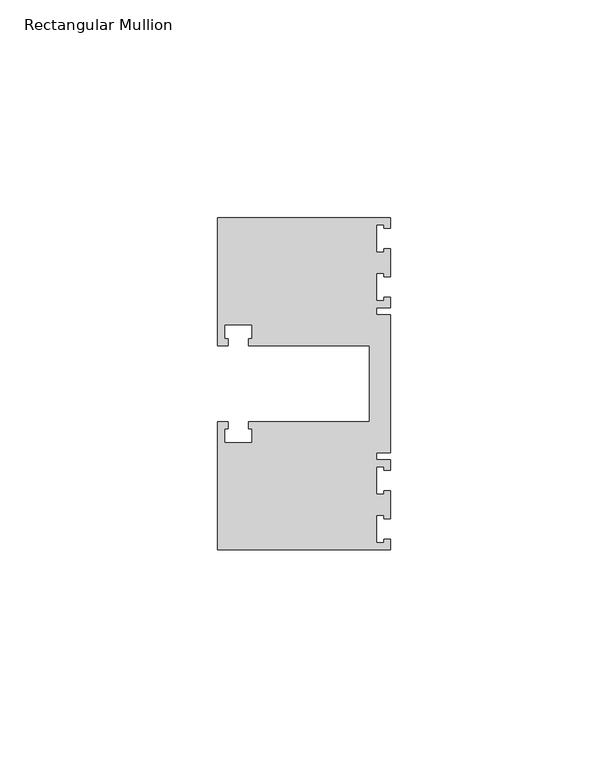
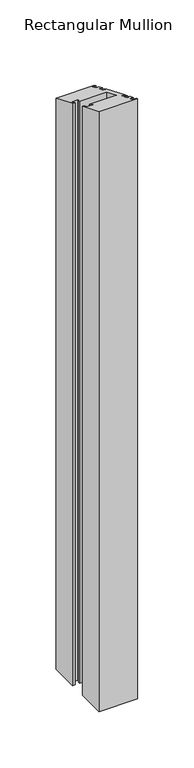
"""IFC4 building model written with IfcOpenShell, lengths in millimetres: member geometry, Rectangular Mullion."""

import ifcopenshell
import ifcopenshell.guid

model = None  # the IFC model being written
_history = None  # IfcOwnerHistory: only IFC2X3 demands one
_inside = {}  # id of a spatial element -> (the spatial element, [elements in it])
_under = {}  # id of a project, library or spatial element -> (it, [spatial elements below it])
_declared = {}  # id of a project -> (the project, [libraries it declares])
_typed = {}  # id of a type object -> (the type object, [elements of that type])
_made_of = {}  # id of a material, layer set ... -> (it, [elements and type objects made of it])


def new_model(schema):
    """Start an empty IFC model of exactly this schema.

    Asked for "IFC4X3", IfcOpenShell would pick the latest addendum, in which some entities
    have other attributes; the version numbers below select the first issue.
    IFC2X3 requires an IfcOwnerHistory on every rooted entity: one is made here for all.
    """
    global model, _history
    if schema == "IFC4X3":
        model = ifcopenshell.file(schema_version=(4, 3, 0, 0))
    else:
        model = ifcopenshell.file(schema=schema)
    _inside.clear()
    _under.clear()
    _declared.clear()
    _typed.clear()
    _made_of.clear()
    _history = None
    if model.schema == "IFC2X3":
        org = make("IfcOrganization", Name="unknown")
        user = make(
            "IfcPersonAndOrganization",
            ThePerson=make("IfcPerson", FamilyName="unknown"),
            TheOrganization=org,
        )
        app = make(
            "IfcApplication",
            ApplicationDeveloper=org,
            Version="unknown",
            ApplicationFullName="unknown",
            ApplicationIdentifier="unknown",
        )
        _history = make(
            "IfcOwnerHistory",
            OwningUser=user,
            OwningApplication=app,
            ChangeAction="ADDED",
            CreationDate=0,
        )
    return model


def make(cls, **values):
    """One entity of the class cls with the attributes given. An attribute that is None is left unset."""
    return model.create_entity(
        cls, **{name: value for name, value in values.items() if value is not None}
    )


def rooted(cls, **values):
    """An entity with a GlobalId (a new one), such as an element, a storey or a relation."""
    return make(cls, GlobalId=ifcopenshell.guid.new(), OwnerHistory=_history, **values)


def si_unit(unit_type, name, prefix=None):
    """IfcSIUnit, for example si_unit("LENGTHUNIT", "METRE", prefix="MILLI")."""
    return make("IfcSIUnit", UnitType=unit_type, Prefix=prefix, Name=name)


def assignment(units):
    """IfcUnitAssignment: the units of a project."""
    return None if units is None else make("IfcUnitAssignment", Units=units)


def point(xyz):
    """IfcCartesianPoint."""
    return None if xyz is None else make("IfcCartesianPoint", Coordinates=xyz)


def direction(xyz):
    """IfcDirection."""
    return None if xyz is None else make("IfcDirection", DirectionRatios=xyz)


def frame(location, z_axis=None, x_axis=None):
    """IfcAxis2Placement3D, a coordinate frame: its origin and axes. An axis left out is left unset."""
    return make(
        "IfcAxis2Placement3D",
        Location=point(location),
        Axis=direction(z_axis),
        RefDirection=direction(x_axis),
    )


def origin():
    """The frame at (0, 0, 0) with its axes left unset."""
    return frame((0.0, 0.0, 0.0))


def place(relative_to, where):
    """IfcLocalPlacement: puts the frame where relative to a parent placement (None: the world)."""
    return make(
        "IfcLocalPlacement", PlacementRelTo=relative_to, RelativePlacement=where
    )


def context(
    kind, dimensions, precision=None, world=None, true_north=None, identifier=None
):
    """IfcGeometricRepresentationContext, for example the 3D "Model" context."""
    return make(
        "IfcGeometricRepresentationContext",
        ContextIdentifier=identifier,
        ContextType=kind,
        CoordinateSpaceDimension=dimensions,
        Precision=precision,
        WorldCoordinateSystem=world,
        TrueNorth=true_north,
    )


def project(units=None, contexts=None):
    """IfcProject with its units and contexts."""
    return rooted(
        "IfcProject",
        Name="project",
        RepresentationContexts=contexts,
        UnitsInContext=assignment(units),
    )


def spatial(cls, under=None, at=None, **own):
    """A site, building, storey or space (cls), placed at a placement, below another one or the project."""
    s = rooted(cls, ObjectPlacement=at, **own)
    if under is not None:
        _under.setdefault(under.id(), (under, []))[1].append(s)
    return s


def faces_of(points, faces, orient=None, outer=None):
    """IfcFace entities. A face is a list of loops; a loop is a list of indices into points, from 0.

    orient and outer hold one flag for each loop. By default every Orientation is true, the
    first loop of a face is its IfcFaceOuterBound and the others are IfcFaceBound.
    """
    made = []
    for i, loops in enumerate(faces):
        bounds = []
        for j, loop in enumerate(loops):
            is_outer = j == 0 if outer is None else outer[i][j]
            bounds.append(
                make(
                    "IfcFaceOuterBound" if is_outer else "IfcFaceBound",
                    Bound=make("IfcPolyLoop", Polygon=[points[k] for k in loop]),
                    Orientation=True if orient is None else orient[i][j],
                )
            )
        made.append(make("IfcFace", Bounds=bounds))
    return made


def faceted_brep(points, faces, orient=None, outer=None, voids=None):
    """IfcFacetedBrep: a solid bounded by flat faces; with voids (closed shells), ...WithVoids."""
    shared = [point(p) for p in points]
    hull = make("IfcClosedShell", CfsFaces=faces_of(shared, faces, orient, outer))
    if voids is None:
        return make("IfcFacetedBrep", Outer=hull)
    return make(
        "IfcFacetedBrepWithVoids",
        Outer=hull,
        Voids=[
            make(cls, CfsFaces=faces_of(shared, fs, o, b)) for cls, fs, o, b in voids
        ],
    )


def shape(context_of_items, identifier, shape_type, items):
    """IfcShapeRepresentation: the items that make up one representation, for example the "Body"."""
    return make(
        "IfcShapeRepresentation",
        ContextOfItems=context_of_items,
        RepresentationIdentifier=identifier,
        RepresentationType=shape_type,
        Items=items,
    )


def source(mapping_origin, context_of_items, identifier, shape_type, items):
    """IfcRepresentationMap: a shape defined once, which mapped items show again and again."""
    return make(
        "IfcRepresentationMap",
        MappingOrigin=mapping_origin,
        MappedRepresentation=shape(context_of_items, identifier, shape_type, items),
    )


def transform(
    local_origin,
    x_axis=None,
    y_axis=None,
    z_axis=None,
    scale=None,
    scale2=None,
    scale3=None,
    uniform=True,
):
    """IfcCartesianTransformationOperator3D, or its non-uniform kind. x_axis, y_axis, z_axis: its Axis1, 2, 3."""
    if uniform:
        return make(
            "IfcCartesianTransformationOperator3D",
            Axis1=direction(x_axis),
            Axis2=direction(y_axis),
            LocalOrigin=point(local_origin),
            Scale=scale,
            Axis3=direction(z_axis),
        )
    return make(
        "IfcCartesianTransformationOperator3DnonUniform",
        Axis1=direction(x_axis),
        Axis2=direction(y_axis),
        LocalOrigin=point(local_origin),
        Scale=scale,
        Axis3=direction(z_axis),
        Scale2=scale2,
        Scale3=scale3,
    )


def mapped(mapping_source, mapping_target):
    """IfcMappedItem: shows the shape of a source again, moved by a transform."""
    return make(
        "IfcMappedItem", MappingSource=mapping_source, MappingTarget=mapping_target
    )


def made_of(thing, what):
    """Note that an element or type object is made of a material, layer set ...; save() writes the relation."""
    if what is not None:
        _made_of.setdefault(what.id(), (what, []))[1].append(thing)
    return thing


def element(
    cls,
    number,
    at=None,
    inside=None,
    cuts=None,
    type_object=None,
    material=None,
    context=None,
    identifier="Body",
    shape_type=None,
    held_by="IfcProductDefinitionShape",
    body=None,
    shapes=None,
    **own,
):
    """One element of the class cls, such as IfcWall. Its Tag is "e" and its number.

    at: its placement. inside: the storey or other place that contains it. cuts: it is an
    opening in that element (IfcRelVoidsElement). A single representation is given by context,
    identifier, shape_type and body (its items); several are given by shapes. held_by: the class
    of the entity that holds the representations. save() writes the other relations.
    """
    e = rooted(cls, Tag="e%d" % number, ObjectPlacement=at, **own)
    if body is not None:
        shapes = [shape(context, identifier, shape_type, body)]
    if shapes is not None:
        e.Representation = make(held_by, Representations=shapes)
    if inside is not None:
        _inside.setdefault(inside.id(), (inside, []))[1].append(e)
    if cuts is not None:
        rooted(
            "IfcRelVoidsElement", RelatingBuildingElement=cuts, RelatedOpeningElement=e
        )
    if type_object is not None:
        _typed.setdefault(type_object.id(), (type_object, []))[1].append(e)
    return made_of(e, material)


def aggregate(whole, parts):
    """IfcRelAggregates: a whole, such as a stair, and the parts it consists of."""
    return rooted("IfcRelAggregates", RelatingObject=whole, RelatedObjects=parts)


def save(model, path):
    """Write the relations noted so far, then the file.

    IfcRelAggregates (storeys below a building ...), IfcRelContainedInSpatialStructure (elements
    in a storey), IfcRelDefinesByType, IfcRelAssociatesMaterial and IfcRelDeclares: one each for
    every whole, place, type object, material and project.
    """
    for whole, parts in _under.values():
        aggregate(whole, parts)
    for where, things in _inside.values():
        rooted(
            "IfcRelContainedInSpatialStructure",
            RelatedElements=things,
            RelatingStructure=where,
        )
    for kind, things in _typed.values():
        rooted("IfcRelDefinesByType", RelatedObjects=things, RelatingType=kind)
    for what, things in _made_of.values():
        rooted("IfcRelAssociatesMaterial", RelatedObjects=things, RelatingMaterial=what)
    for by, libraries in _declared.values():
        rooted("IfcRelDeclares", RelatingContext=by, RelatedDefinitions=libraries)
    model.write(path)


def rectangular_mullion_4de52729(model_context):
    return source(origin(), model_context, "Body", "Brep", [
        faceted_brep([(0.0, 38.1, -635.0), (0.0, 35.71875, -635.0), (-1.4999946, 35.71875, -635.0), (-1.4999946, 36.5125, -635.0), (-3.175, 36.5125, -635.0), (-3.175, 30.1625, -635.0), (-1.4999946, 30.1625, -635.0), (-1.4999946, 30.95625, -635.0), (0.0, 30.95625, -635.0), (0.0, 24.60625, -635.0), (-1.4999946, 24.60625, -635.0), (-1.4999946, 25.4, -635.0), (-3.175, 25.4, -635.0), (-3.175, 19.05, -635.0), (-1.4999946, 19.05, -635.0), (-1.4999946, 19.84375, -635.0), (0.0, 19.84375, -635.0), (0.0, 17.4625, -635.0), (-3.175, 17.4625, -635.0), (-3.175, 15.875, -635.0), (0.0, 15.875, -635.0), (0.0, -15.875, -635.0), (-3.175, -15.875, -635.0), (-3.175, -17.4625, -635.0), (0.0, -17.4625, -635.0), (0.0, -19.84375, -635.0), (-1.4999946, -19.84375, -635.0), (-1.4999946, -19.05, -635.0), (-3.175, -19.05, -635.0), (-3.175, -25.4, -635.0), (-1.4999946, -25.4, -635.0), (-1.4999946, -24.60625, -635.0), (0.0, -24.60625, -635.0), (0.0, -30.95625, -635.0), (-1.4999946, -30.95625, -635.0), (-1.4999946, -30.1625, -635.0), (-3.175, -30.1625, -635.0), (-3.175, -36.5125, -635.0), (-1.4999946, -36.5125, -635.0), (-1.4999946, -35.71875, -635.0), (0.0, -35.71875, -635.0), (0.0, -38.1, -635.0), (-39.6875, -38.1, -635.0), (-39.6875, -8.73125, -635.0), (-37.30625, -8.73125, -635.0), (-37.30625, -10.31875, -635.0), (-38.1, -10.31875, -635.0), (-38.1, -13.49375, -635.0), (-31.75, -13.49375, -635.0), (-31.75, -10.31875, -635.0), (-32.54375, -10.31875, -635.0), (-32.54375, -8.73125, -635.0), (-4.8585733, -8.73125, -635.0), (-4.8585733, 8.73125, -635.0), (-32.54375, 8.73125, -635.0), (-32.54375, 10.31875, -635.0), (-31.75, 10.31875, -635.0), (-31.75, 13.49375, -635.0), (-38.1, 13.49375, -635.0), (-38.1, 10.31875, -635.0), (-37.30625, 10.31875, -635.0), (-37.30625, 8.73125, -635.0), (-39.6875, 8.73125, -635.0), (-39.6875, 38.1, -635.0), (-39.6875, 38.1, -15.7815367), (0.0, 38.1, -15.7815367), (-39.6875, 8.73125, -3.6166022), (-37.30625, 8.73125, -3.6166022), (-37.30625, 10.31875, -4.2741662), (-38.1, 10.31875, -4.2741662), (-38.1, 13.49375, -5.5892943), (-31.75, 13.49375, -5.5892943), (-31.75, 10.31875, -4.2741662), (-32.54375, 10.31875, -4.2741662), (-32.54375, 8.73125, -3.6166022), (-4.8585733, 8.73125, -3.6166022), (-4.8585733, -8.73125, 3.6166022), (-32.54375, -8.73125, 3.6166022), (-32.54375, -10.31875, 4.2741662), (-31.75, -10.31875, 4.2741662), (-31.75, -13.49375, 5.5892943), (-38.1, -13.49375, 5.5892943), (-38.1, -10.31875, 4.2741662), (-37.30625, -10.31875, 4.2741662), (-37.30625, -8.73125, 3.6166022), (-39.6875, -8.73125, 3.6166022), (-39.6875, -38.1, 15.7815367), (0.0, -38.1, 15.7815367), (0.0, -35.71875, 14.7951907), (-1.4999946, -35.71875, 14.7951907), (-1.4999946, -36.5125, 15.1239727), (-3.175, -36.5125, 15.1239727), (-3.175, -30.1625, 12.4937166), (-1.4999946, -30.1625, 12.4937166), (-1.4999946, -30.95625, 12.8224986), (0.0, -30.95625, 12.8224986), (0.0, -24.60625, 10.1922425), (-1.4999946, -24.60625, 10.1922425), (-1.4999946, -25.4, 10.5210245), (-3.175, -25.4, 10.5210245), (-3.175, -19.05, 7.8907684), (-1.4999946, -19.05, 7.8907684), (-1.4999946, -19.84375, 8.2195504), (0.0, -19.84375, 8.2195504), (0.0, -17.4625, 7.2332043), (-3.175, -17.4625, 7.2332043), (-3.175, -15.875, 6.5756403), (0.0, -15.875, 6.5756403), (0.0, 15.875, -6.5756403), (-3.175, 15.875, -6.5756403), (-3.175, 17.4625, -7.2332043), (0.0, 17.4625, -7.2332043), (0.0, 19.84375, -8.2195504), (-1.4999946, 19.84375, -8.2195504), (-1.4999946, 19.05, -7.8907684), (-3.175, 19.05, -7.8907684), (-3.175, 25.4, -10.5210245), (-1.4999946, 25.4, -10.5210245), (-1.4999946, 24.60625, -10.1922425), (0.0, 24.60625, -10.1922425), (0.0, 30.95625, -12.8224986), (-1.4999946, 30.95625, -12.8224986), (-1.4999946, 30.1625, -12.4937166), (-3.175, 30.1625, -12.4937166), (-3.175, 36.5125, -15.1239727), (-1.4999946, 36.5125, -15.1239727), (-1.4999946, 35.71875, -14.7951907), (0.0, 35.71875, -14.7951907)], [[[0, 1, 2, 3, 4, 5, 6, 7, 8, 9, 10, 11, 12, 13, 14, 15, 16, 17, 18, 19, 20, 21, 22, 23, 24, 25, 26, 27, 28, 29, 30, 31, 32, 33, 34, 35, 36, 37, 38, 39, 40, 41, 42, 43, 44, 45, 46, 47, 48, 49, 50, 51, 52, 53, 54, 55, 56, 57, 58, 59, 60, 61, 62, 63]], [[64, 65, 0, 63]], [[66, 64, 63, 62]], [[67, 66, 62, 61]], [[68, 67, 61, 60]], [[69, 68, 60, 59]], [[70, 69, 59, 58]], [[71, 70, 58, 57]], [[72, 71, 57, 56]], [[73, 72, 56, 55]], [[74, 73, 55, 54]], [[75, 74, 54, 53]], [[76, 75, 53, 52]], [[77, 76, 52, 51]], [[78, 77, 51, 50]], [[79, 78, 50, 49]], [[80, 79, 49, 48]], [[81, 80, 48, 47]], [[82, 81, 47, 46]], [[83, 82, 46, 45]], [[84, 83, 45, 44]], [[85, 84, 44, 43]], [[86, 85, 43, 42]], [[87, 86, 42, 41]], [[88, 87, 41, 40]], [[89, 88, 40, 39]], [[90, 89, 39, 38]], [[91, 90, 38, 37]], [[92, 91, 37, 36]], [[93, 92, 36, 35]], [[94, 93, 35, 34]], [[95, 94, 34, 33]], [[96, 95, 33, 32]], [[97, 96, 32, 31]], [[98, 97, 31, 30]], [[99, 98, 30, 29]], [[100, 99, 29, 28]], [[101, 100, 28, 27]], [[102, 101, 27, 26]], [[103, 102, 26, 25]], [[104, 103, 25, 24]], [[105, 104, 24, 23]], [[106, 105, 23, 22]], [[107, 106, 22, 21]], [[108, 107, 21, 20]], [[109, 108, 20, 19]], [[110, 109, 19, 18]], [[111, 110, 18, 17]], [[112, 111, 17, 16]], [[113, 112, 16, 15]], [[114, 113, 15, 14]], [[115, 114, 14, 13]], [[116, 115, 13, 12]], [[117, 116, 12, 11]], [[118, 117, 11, 10]], [[119, 118, 10, 9]], [[120, 119, 9, 8]], [[121, 120, 8, 7]], [[122, 121, 7, 6]], [[123, 122, 6, 5]], [[124, 123, 5, 4]], [[125, 124, 4, 3]], [[126, 125, 3, 2]], [[127, 126, 2, 1]], [[65, 127, 1, 0]], [[65, 64, 66, 67, 68, 69, 70, 71, 72, 73, 74, 75, 76, 77, 78, 79, 80, 81, 82, 83, 84, 85, 86, 87, 88, 89, 90, 91, 92, 93, 94, 95, 96, 97, 98, 99, 100, 101, 102, 103, 104, 105, 106, 107, 108, 109, 110, 111, 112, 113, 114, 115, 116, 117, 118, 119, 120, 121, 122, 123, 124, 125, 126, 127]]]),
    ])


if __name__ == "__main__":
    model = new_model("IFC4")
    model_context = context("Model", 3, world=origin())
    ifc_project = project(units=[si_unit("LENGTHUNIT", "METRE", prefix="MILLI")], contexts=[model_context])
    site = spatial("IfcSite", under=ifc_project)
    building = spatial("IfcBuilding", under=site)
    placement = place(None, origin())
    rectangular_mullion_shape = rectangular_mullion_4de52729(model_context)
    element("IfcMember", 1, ObjectType="Rectangular Mullion", at=placement, inside=building, context=model_context, shape_type="MappedRepresentation", body=[
        mapped(rectangular_mullion_shape, transform((0.0, 0.0, 0.0), x_axis=(1.0, 0.0, 0.0), y_axis=(0.0, 1.0, 0.0), z_axis=(0.0, 0.0, 1.0))),
    ])
    save(model, "model.ifc")
